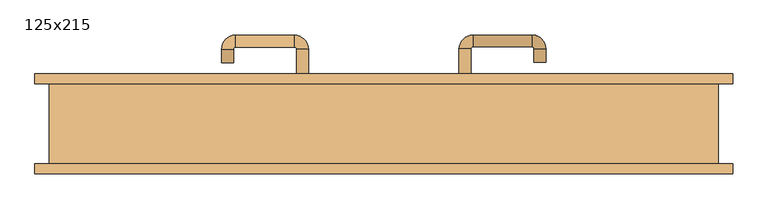
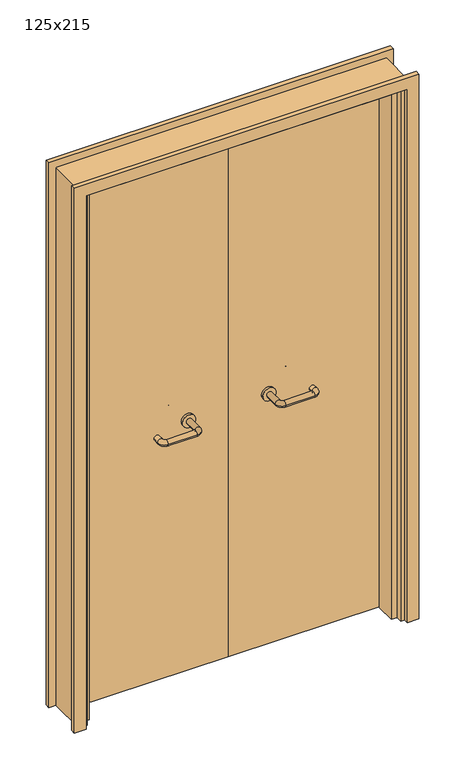
"""IFC4 building model written with IfcOpenShell, lengths in millimetres: door geometry, 125x215."""

from ifc_helpers import new_model, si_unit, point, frame, frame_2d, origin, place, context, project, spatial, polyline, circle_curve, ellipse_curve, trimmed, segment, composite_curve, outline, extrude, faceted_brep, source, transform, mapped, element, save
from ifc_brep_helpers import plane_surface, cylinder_surface, revolved_surface, advanced_brep


def door_125x215_c89c0914(model_context):
    return source(origin(), model_context, "Body", "SolidModel", [
        faceted_brep([(-572.0, 28.0, 0.0), (-572.0, -50.0, 0.0), (-593.0, -50.0, 0.0), (-593.0, 28.0, 0.0), (-572.0, 28.0, 2097.0), (-572.0, -50.0, 2097.0), (-593.0, -50.0, 2118.0), (-593.0, 28.0, 2118.0), (572.0, 28.0, 0.0), (593.0, 28.0, 0.0), (593.0, -50.0, 0.0), (572.0, -50.0, 0.0), (572.0, 28.0, 2097.0), (593.0, 28.0, 2118.0), (593.0, -50.0, 2118.0), (572.0, -50.0, 2097.0)], [[[0, 1, 2, 3]], [[1, 0, 4, 5]], [[2, 1, 5, 6]], [[3, 2, 6, 7]], [[0, 3, 7, 4]], [[8, 9, 10, 11]], [[12, 13, 9, 8]], [[13, 14, 10, 9]], [[14, 15, 11, 10]], [[15, 12, 8, 11]], [[5, 4, 12, 15]], [[6, 5, 15, 14]], [[7, 6, 14, 13]], [[4, 7, 13, 12]]]),
        extrude(outline(polyline([(2177.0, 652.0), (2177.0, -652.0), (0.0, -652.0), (0.0, -608.0), (2133.0, -608.0), (2133.0, 608.0), (0.0, 608.0), (0.0, 652.0), (2177.0, 652.0)])), frame((0.0, 75.0, 0.0), z_axis=(0.0, 1.0, 0.0), x_axis=(0.0, 0.0, 1.0)), (0.0, 0.0, 1.0), 18.0),
        extrude(outline(polyline([(2177.0, -652.0), (0.0, -652.0), (0.0, -608.0), (2133.0, -608.0), (2133.0, 608.0), (0.0, 608.0), (0.0, 652.0), (2177.0, 652.0), (2177.0, -652.0)])), frame((0.0, -93.0, 0.0), z_axis=(0.0, 1.0, 0.0), x_axis=(0.0, 0.0, 1.0)), (0.0, 0.0, 1.0), 18.0),
        extrude(outline(polyline([(2150.0, -625.0), (0.0, -625.0), (0.0, -593.0), (2118.0, -593.0), (2118.0, 593.0), (0.0, 593.0), (0.0, 625.0), (2150.0, 625.0), (2150.0, -625.0)])), frame((0.0, -75.0, 0.0), z_axis=(0.0, 1.0, 0.0), x_axis=(0.0, 0.0, 1.0)), (0.0, 0.0, 1.0), 150.0),
        extrude(outline(polyline([(1.0739506, 31.0), (-590.0, 31.0), (-590.0, 75.0), (1.0739506, 75.0), (1.0739506, 31.0)])), frame((0.0, 0.0, 1.753223), z_axis=(0.0, 0.0, 1.0), x_axis=(1.0, 0.0, 0.0)), (0.0, 0.0, 1.0), 2107.246777),
        extrude(outline(polyline([(590.0, 31.0), (1.0739506, 31.0), (1.0739506, 75.0), (590.0, 75.0), (590.0, 31.0)])), frame((0.0, 0.0, 1.753223), z_axis=(0.0, 0.0, 1.0), x_axis=(1.0, 0.0, 0.0)), (0.0, 0.0, 1.0), 2116.246777),
        extrude(outline(polyline([(2150.0, -625.0), (0.0, -625.0), (0.0, -593.0), (2118.0, -593.0), (2118.0, 593.0), (0.0, 593.0), (0.0, 625.0), (2150.0, 625.0), (2150.0, -625.0)])), frame((0.0, -75.0, 0.0), z_axis=(0.0, 1.0, 0.0), x_axis=(0.0, 0.0, 1.0)), (0.0, 0.0, 1.0), 150.0),
        advanced_brep(
        [(140.99898, 21.0, 1003.0), (162.99898, 21.0, 1003.0), (140.99898, -34.3525369, 1003.0), (162.99898, -34.3525369, 1003.0), (166.99898, -38.3525369, 1003.0), (166.99898, -60.3525369, 1003.0), (276.99898, -60.3525369, 1003.0), (276.99898, -38.3525369, 1003.0), (280.99898, -34.3525369, 1003.0), (302.99898, -34.3525369, 1003.0), (302.99898, -17.0, 1003.0), (280.99898, -17.0, 1003.0)],
        [
            (0, 1, circle_curve(frame((151.99898, 21.0, 1003.0), z_axis=(0.0, 1.0, 0.0), x_axis=(1.0, 0.0, 0.0)), 11.0)),
            (1, 0, circle_curve(frame((151.99898, 21.0, 1003.0), z_axis=(0.0, 1.0, 0.0), x_axis=(1.0, 0.0, 0.0)), 11.0)),
            (0, 2),
            (2, 3, circle_curve(frame((151.99898, -34.3525369, 1003.0), z_axis=(0.0, 1.0, 0.0), x_axis=(1.0, 0.0, 0.0)), 11.0)),
            (3, 1),
            (3, 2, circle_curve(frame((151.99898, -34.3525369, 1003.0), z_axis=(0.0, 1.0, 0.0), x_axis=(1.0, 0.0, 0.0)), 11.0)),
            (4, 3, circle_curve(frame((166.99898, -34.3525369, 1003.0), z_axis=(0.0, 0.0, -1.0), x_axis=(-1.0, 0.0, 0.0)), 4.0)),
            (2, 5, circle_curve(frame((166.99898, -34.3525369, 1003.0), z_axis=(0.0, 0.0, 1.0), x_axis=(-1.0, 0.0, 0.0)), 26.0)),
            (5, 4, circle_curve(frame((166.99898, -49.3525369, 1003.0), z_axis=(-1.0, 0.0, 0.0), x_axis=(0.0, 1.0, 0.0)), 11.0)),
            (4, 5, circle_curve(frame((166.99898, -49.3525369, 1003.0), z_axis=(-1.0, 0.0, 0.0), x_axis=(0.0, 1.0, 0.0)), 11.0)),
            (5, 6),
            (6, 7, circle_curve(frame((276.99898, -49.3525369, 1003.0), z_axis=(-1.0, 0.0, 0.0), x_axis=(0.0, 1.0, 0.0)), 11.0)),
            (7, 4),
            (7, 6, circle_curve(frame((276.99898, -49.3525369, 1003.0), z_axis=(-1.0, 0.0, 0.0), x_axis=(0.0, 1.0, 0.0)), 11.0)),
            (8, 7, circle_curve(frame((276.99898, -34.3525369, 1003.0), z_axis=(0.0, 0.0, -1.0), x_axis=(0.0, -1.0, 0.0)), 4.0)),
            (6, 9, circle_curve(frame((276.99898, -34.3525369, 1003.0), z_axis=(0.0, 0.0, 1.0), x_axis=(0.0, -1.0, 0.0)), 26.0)),
            (9, 8, circle_curve(frame((291.99898, -34.3525369, 1003.0), z_axis=(0.0, -1.0, 0.0), x_axis=(-1.0, 0.0, 0.0)), 11.0)),
            (8, 9, circle_curve(frame((291.99898, -34.3525369, 1003.0), z_axis=(0.0, -1.0, 0.0), x_axis=(-1.0, 0.0, 0.0)), 11.0)),
            (10, 11, circle_curve(frame((291.99898, -17.0, 1003.0), z_axis=(0.0, 1.0, 0.0), x_axis=(-1.0, 0.0, 0.0)), 11.0)),
            (11, 10, circle_curve(frame((291.99898, -17.0, 1003.0), z_axis=(0.0, 1.0, 0.0), x_axis=(-1.0, 0.0, 0.0)), 11.0)),
            (9, 10),
            (11, 8),
        ],
        [
            plane_surface(frame((140.99898, 21.0, 1003.0), z_axis=(0.0, 1.0, 0.0), x_axis=(0.0, 0.0, -1.0))),
            cylinder_surface(frame((151.99898, 21.0, 1003.0), z_axis=(0.0, 1.0, 0.0), x_axis=(1.0, 0.0, 0.0)), 11.0),
            revolved_surface(trimmed(ellipse_curve(frame((151.99898, -34.3525369, 1003.0), z_axis=(0.0, 1.0, 0.0), x_axis=(1.0, 0.0, 0.0)), 11.0, 11.0), [point((140.99898, -34.3525369, 1003.0))], [point((162.99898, -34.3525369, 1003.0))], True, "CARTESIAN"), (166.99898, -34.3525369, 1003.0), (0.0, 0.0, 1.0)),
            revolved_surface(trimmed(ellipse_curve(frame((151.99898, -34.3525369, 1003.0), z_axis=(0.0, 1.0, 0.0), x_axis=(1.0, 0.0, 0.0)), 11.0, 11.0), [point((162.99898, -34.3525369, 1003.0))], [point((140.99898, -34.3525369, 1003.0))], True, "CARTESIAN"), (166.99898, -34.3525369, 1003.0), (0.0, 0.0, 1.0)),
            cylinder_surface(frame((166.99898, -49.3525369, 1003.0), z_axis=(-1.0, 0.0, 0.0), x_axis=(0.0, 1.0, 0.0)), 11.0),
            revolved_surface(trimmed(ellipse_curve(frame((276.99898, -49.3525369, 1003.0), z_axis=(-1.0, 0.0, 0.0), x_axis=(0.0, 1.0, 0.0)), 11.0, 11.0), [point((276.99898, -60.3525369, 1003.0))], [point((276.99898, -38.3525369, 1003.0))], True, "CARTESIAN"), (276.99898, -34.3525369, 1003.0), (0.0, 0.0, 1.0)),
            revolved_surface(trimmed(ellipse_curve(frame((276.99898, -49.3525369, 1003.0), z_axis=(-1.0, 0.0, 0.0), x_axis=(0.0, 1.0, 0.0)), 11.0, 11.0), [point((276.99898, -38.3525369, 1003.0))], [point((276.99898, -60.3525369, 1003.0))], True, "CARTESIAN"), (276.99898, -34.3525369, 1003.0), (0.0, 0.0, 1.0)),
            plane_surface(frame((280.99898, -17.0, 1003.0), z_axis=(0.0, 1.0, 0.0), x_axis=(0.0, 0.0, 1.0))),
            cylinder_surface(frame((291.99898, -34.3525369, 1003.0), z_axis=(0.0, -1.0, 0.0), x_axis=(-1.0, 0.0, 0.0)), 11.0),
        ],
        [
            (0, [[1, 2]]),
            (1, [[-1, 3, 4, 5]]),
            (1, [[-2, -5, 6, -3]]),
            (2, [[7, -4, 8, 9]]),
            (3, [[-8, -6, -7, 10]]),
            (4, [[-9, 11, 12, 13]]),
            (4, [[-10, -13, 14, -11]]),
            (5, [[15, -12, 16, 17]]),
            (6, [[-16, -14, -15, 18]]),
            (7, [[19, 20]]),
            (8, [[-17, 21, -20, 22]]),
            (8, [[-18, -22, -19, -21]]),
        ],
    ),
        extrude(outline(composite_curve([segment(trimmed(circle_curve(frame_2d((1003.0, 151.99898)), 25.0), [point((1003.0, 126.99898))], [point((1003.0, 176.99898))], False, "CARTESIAN"), True, "CONTINUOUS"), segment(trimmed(circle_curve(frame_2d((1003.0, 151.99898)), 25.0), [point((1003.0, 176.99898))], [point((1003.0, 126.99898))], False, "CARTESIAN"), True, "CONTINUOUS")], self_intersect=False)), frame((0.0, 21.0, 0.0), z_axis=(0.0, 1.0, 0.0), x_axis=(0.0, 0.0, 1.0)), (0.0, 0.0, 1.0), 10.0),
        advanced_brep(
        [(162.99898, 85.0, 1003.0), (140.99898, 85.0, 1003.0), (162.99898, 140.0, 1003.0), (140.99898, 140.0, 1003.0), (166.99898, 166.0, 1003.0), (166.99898, 144.0, 1003.0), (276.99898, 144.0, 1003.0), (276.99898, 166.0, 1003.0), (302.99898, 140.0, 1003.0), (280.99898, 140.0, 1003.0), (280.99898, 115.0, 1003.0), (302.99898, 115.0, 1003.0)],
        [
            (0, 1, circle_curve(frame((151.99898, 85.0, 1003.0), z_axis=(0.0, -1.0, 0.0), x_axis=(-1.0, 0.0, 0.0)), 11.0)),
            (1, 0, circle_curve(frame((151.99898, 85.0, 1003.0), z_axis=(0.0, -1.0, 0.0), x_axis=(-1.0, 0.0, 0.0)), 11.0)),
            (0, 2),
            (2, 3, circle_curve(frame((151.99898, 140.0, 1003.0), z_axis=(0.0, -1.0, 0.0), x_axis=(-1.0, 0.0, 0.0)), 11.0)),
            (3, 1),
            (3, 2, circle_curve(frame((151.99898, 140.0, 1003.0), z_axis=(0.0, -1.0, 0.0), x_axis=(-1.0, 0.0, 0.0)), 11.0)),
            (4, 3, circle_curve(frame((166.99898, 140.0, 1003.0), z_axis=(0.0, 0.0, 1.0), x_axis=(-1.0, 0.0, 0.0)), 26.0)),
            (2, 5, circle_curve(frame((166.99898, 140.0, 1003.0), z_axis=(0.0, 0.0, -1.0), x_axis=(-1.0, 0.0, 0.0)), 4.0)),
            (5, 4, circle_curve(frame((166.99898, 155.0, 1003.0), z_axis=(-1.0, 0.0, 0.0), x_axis=(0.0, 1.0, 0.0)), 11.0)),
            (4, 5, circle_curve(frame((166.99898, 155.0, 1003.0), z_axis=(-1.0, 0.0, 0.0), x_axis=(0.0, 1.0, 0.0)), 11.0)),
            (5, 6),
            (6, 7, circle_curve(frame((276.99898, 155.0, 1003.0), z_axis=(-1.0, 0.0, 0.0), x_axis=(0.0, 1.0, 0.0)), 11.0)),
            (7, 4),
            (7, 6, circle_curve(frame((276.99898, 155.0, 1003.0), z_axis=(-1.0, 0.0, 0.0), x_axis=(0.0, 1.0, 0.0)), 11.0)),
            (8, 7, circle_curve(frame((276.99898, 140.0, 1003.0), z_axis=(0.0, 0.0, 1.0), x_axis=(0.0, 1.0, 0.0)), 26.0)),
            (6, 9, circle_curve(frame((276.99898, 140.0, 1003.0), z_axis=(0.0, 0.0, -1.0), x_axis=(0.0, 1.0, 0.0)), 4.0)),
            (9, 8, circle_curve(frame((291.99898, 140.0, 1003.0), z_axis=(0.0, 1.0, 0.0), x_axis=(1.0, 0.0, 0.0)), 11.0)),
            (8, 9, circle_curve(frame((291.99898, 140.0, 1003.0), z_axis=(0.0, 1.0, 0.0), x_axis=(1.0, 0.0, 0.0)), 11.0)),
            (10, 11, circle_curve(frame((291.99898, 115.0, 1003.0), z_axis=(0.0, -1.0, 0.0), x_axis=(1.0, 0.0, 0.0)), 11.0)),
            (11, 10, circle_curve(frame((291.99898, 115.0, 1003.0), z_axis=(0.0, -1.0, 0.0), x_axis=(1.0, 0.0, 0.0)), 11.0)),
            (9, 10),
            (11, 8),
        ],
        [
            plane_surface(frame((140.99898, 85.0, 1003.0), z_axis=(0.0, -1.0, 0.0), x_axis=(0.0, 0.0, 1.0))),
            cylinder_surface(frame((151.99898, 85.0, 1003.0), z_axis=(0.0, -1.0, 0.0), x_axis=(-1.0, 0.0, 0.0)), 11.0),
            revolved_surface(trimmed(ellipse_curve(frame((151.99898, 140.0, 1003.0), z_axis=(0.0, -1.0, 0.0), x_axis=(-1.0, 0.0, 0.0)), 11.0, 11.0), [point((162.99898, 140.0, 1003.0))], [point((140.99898, 140.0, 1003.0))], True, "CARTESIAN"), (166.99898, 140.0, 1003.0), (0.0, 0.0, -1.0)),
            revolved_surface(trimmed(ellipse_curve(frame((151.99898, 140.0, 1003.0), z_axis=(0.0, -1.0, 0.0), x_axis=(-1.0, 0.0, 0.0)), 11.0, 11.0), [point((140.99898, 140.0, 1003.0))], [point((162.99898, 140.0, 1003.0))], True, "CARTESIAN"), (166.99898, 140.0, 1003.0), (0.0, 0.0, -1.0)),
            cylinder_surface(frame((166.99898, 155.0, 1003.0), z_axis=(-1.0, 0.0, 0.0), x_axis=(0.0, 1.0, 0.0)), 11.0),
            revolved_surface(trimmed(ellipse_curve(frame((276.99898, 155.0, 1003.0), z_axis=(-1.0, 0.0, 0.0), x_axis=(0.0, 1.0, 0.0)), 11.0, 11.0), [point((276.99898, 144.0, 1003.0))], [point((276.99898, 166.0, 1003.0))], True, "CARTESIAN"), (276.99898, 140.0, 1003.0), (0.0, 0.0, -1.0)),
            revolved_surface(trimmed(ellipse_curve(frame((276.99898, 155.0, 1003.0), z_axis=(-1.0, 0.0, 0.0), x_axis=(0.0, 1.0, 0.0)), 11.0, 11.0), [point((276.99898, 166.0, 1003.0))], [point((276.99898, 144.0, 1003.0))], True, "CARTESIAN"), (276.99898, 140.0, 1003.0), (0.0, 0.0, -1.0)),
            plane_surface(frame((280.99898, 115.0, 1003.0), z_axis=(0.0, -1.0, 0.0), x_axis=(0.0, 0.0, -1.0))),
            cylinder_surface(frame((291.99898, 140.0, 1003.0), z_axis=(0.0, 1.0, 0.0), x_axis=(1.0, 0.0, 0.0)), 11.0),
        ],
        [
            (0, [[1, 2]]),
            (1, [[-1, 3, 4, 5]]),
            (1, [[-2, -5, 6, -3]]),
            (2, [[7, -4, 8, 9]]),
            (3, [[-8, -6, -7, 10]]),
            (4, [[-9, 11, 12, 13]]),
            (4, [[-10, -13, 14, -11]]),
            (5, [[15, -12, 16, 17]]),
            (6, [[-16, -14, -15, 18]]),
            (7, [[19, 20]]),
            (8, [[-17, 21, -20, 22]]),
            (8, [[-18, -22, -19, -21]]),
        ],
    ),
        extrude(outline(composite_curve([segment(trimmed(circle_curve(frame_2d((1003.0, 151.99898)), 25.0), [point((1003.0, 176.99898))], [point((1003.0, 126.99898))], False, "CARTESIAN"), True, "CONTINUOUS"), segment(trimmed(circle_curve(frame_2d((1003.0, 151.99898)), 25.0), [point((1003.0, 126.99898))], [point((1003.0, 176.99898))], False, "CARTESIAN"), True, "CONTINUOUS")], self_intersect=False)), frame((0.0, 75.0, 0.0), z_axis=(0.0, 1.0, 0.0), x_axis=(0.0, 0.0, 1.0)), (0.0, 0.0, 1.0), 10.0),
        advanced_brep(
        [(-162.99898, 20.6886121, 1003.0), (-140.99898, 20.6886121, 1003.0), (-162.99898, -34.7220447, 1003.0), (-140.99898, -34.7220447, 1003.0), (-166.99898, -60.7220447, 1003.0), (-166.99898, -38.7220447, 1003.0), (-276.99898, -38.7220447, 1003.0), (-276.99898, -60.7220447, 1003.0), (-302.99898, -34.7220447, 1003.0), (-280.99898, -34.7220447, 1003.0), (-280.99898, -9.7220447, 1003.0), (-302.99898, -9.7220447, 1003.0)],
        [
            (0, 1, circle_curve(frame((-151.99898, 20.6886121, 1003.0), z_axis=(0.0, 1.0, 0.0), x_axis=(1.0, 0.0, 0.0)), 11.0)),
            (1, 0, circle_curve(frame((-151.99898, 20.6886121, 1003.0), z_axis=(0.0, 1.0, 0.0), x_axis=(1.0, 0.0, 0.0)), 11.0)),
            (0, 2),
            (2, 3, circle_curve(frame((-151.99898, -34.7220447, 1003.0), z_axis=(0.0, 1.0, 0.0), x_axis=(1.0, 0.0, 0.0)), 11.0)),
            (3, 1),
            (3, 2, circle_curve(frame((-151.99898, -34.7220447, 1003.0), z_axis=(0.0, 1.0, 0.0), x_axis=(1.0, 0.0, 0.0)), 11.0)),
            (4, 3, circle_curve(frame((-166.99898, -34.7220447, 1003.0), z_axis=(0.0, 0.0, 1.0), x_axis=(1.0, 0.0, 0.0)), 26.0)),
            (2, 5, circle_curve(frame((-166.99898, -34.7220447, 1003.0), z_axis=(0.0, 0.0, -1.0), x_axis=(1.0, 0.0, 0.0)), 4.0)),
            (5, 4, circle_curve(frame((-166.99898, -49.7220447, 1003.0), z_axis=(1.0, 0.0, 0.0), x_axis=(0.0, -1.0, 0.0)), 11.0)),
            (4, 5, circle_curve(frame((-166.99898, -49.7220447, 1003.0), z_axis=(1.0, 0.0, 0.0), x_axis=(0.0, -1.0, 0.0)), 11.0)),
            (5, 6),
            (6, 7, circle_curve(frame((-276.99898, -49.7220447, 1003.0), z_axis=(1.0, 0.0, 0.0), x_axis=(0.0, -1.0, 0.0)), 11.0)),
            (7, 4),
            (7, 6, circle_curve(frame((-276.99898, -49.7220447, 1003.0), z_axis=(1.0, 0.0, 0.0), x_axis=(0.0, -1.0, 0.0)), 11.0)),
            (8, 7, circle_curve(frame((-276.99898, -34.7220447, 1003.0), z_axis=(0.0, 0.0, 1.0), x_axis=(0.0, -1.0, 0.0)), 26.0)),
            (6, 9, circle_curve(frame((-276.99898, -34.7220447, 1003.0), z_axis=(0.0, 0.0, -1.0), x_axis=(0.0, -1.0, 0.0)), 4.0)),
            (9, 8, circle_curve(frame((-291.99898, -34.7220447, 1003.0), z_axis=(0.0, -1.0, 0.0), x_axis=(-1.0, 0.0, 0.0)), 11.0)),
            (8, 9, circle_curve(frame((-291.99898, -34.7220447, 1003.0), z_axis=(0.0, -1.0, 0.0), x_axis=(-1.0, 0.0, 0.0)), 11.0)),
            (10, 11, circle_curve(frame((-291.99898, -9.7220447, 1003.0), z_axis=(0.0, 1.0, 0.0), x_axis=(-1.0, 0.0, 0.0)), 11.0)),
            (11, 10, circle_curve(frame((-291.99898, -9.7220447, 1003.0), z_axis=(0.0, 1.0, 0.0), x_axis=(-1.0, 0.0, 0.0)), 11.0)),
            (9, 10),
            (11, 8),
        ],
        [
            plane_surface(frame((-162.99898, 20.6886121, 1003.0), z_axis=(0.0, 1.0, 0.0), x_axis=(0.0, 0.0, -1.0))),
            cylinder_surface(frame((-151.99898, 20.6886121, 1003.0), z_axis=(0.0, 1.0, 0.0), x_axis=(1.0, 0.0, 0.0)), 11.0),
            revolved_surface(trimmed(ellipse_curve(frame((-151.99898, -34.7220447, 1003.0), z_axis=(0.0, 1.0, 0.0), x_axis=(1.0, 0.0, 0.0)), 11.0, 11.0), [point((-162.99898, -34.7220447, 1003.0))], [point((-140.99898, -34.7220447, 1003.0))], True, "CARTESIAN"), (-166.99898, -34.7220447, 1003.0), (0.0, 0.0, -1.0)),
            revolved_surface(trimmed(ellipse_curve(frame((-151.99898, -34.7220447, 1003.0), z_axis=(0.0, 1.0, 0.0), x_axis=(1.0, 0.0, 0.0)), 11.0, 11.0), [point((-140.99898, -34.7220447, 1003.0))], [point((-162.99898, -34.7220447, 1003.0))], True, "CARTESIAN"), (-166.99898, -34.7220447, 1003.0), (0.0, 0.0, -1.0)),
            cylinder_surface(frame((-166.99898, -49.7220447, 1003.0), z_axis=(1.0, 0.0, 0.0), x_axis=(0.0, -1.0, 0.0)), 11.0),
            revolved_surface(trimmed(ellipse_curve(frame((-276.99898, -49.7220447, 1003.0), z_axis=(1.0, 0.0, 0.0), x_axis=(0.0, -1.0, 0.0)), 11.0, 11.0), [point((-276.99898, -38.7220447, 1003.0))], [point((-276.99898, -60.7220447, 1003.0))], True, "CARTESIAN"), (-276.99898, -34.7220447, 1003.0), (0.0, 0.0, -1.0)),
            revolved_surface(trimmed(ellipse_curve(frame((-276.99898, -49.7220447, 1003.0), z_axis=(1.0, 0.0, 0.0), x_axis=(0.0, -1.0, 0.0)), 11.0, 11.0), [point((-276.99898, -60.7220447, 1003.0))], [point((-276.99898, -38.7220447, 1003.0))], True, "CARTESIAN"), (-276.99898, -34.7220447, 1003.0), (0.0, 0.0, -1.0)),
            plane_surface(frame((-302.99898, -9.7220447, 1003.0), z_axis=(0.0, 1.0, 0.0), x_axis=(0.0, 0.0, 1.0))),
            cylinder_surface(frame((-291.99898, -34.7220447, 1003.0), z_axis=(0.0, -1.0, 0.0), x_axis=(-1.0, 0.0, 0.0)), 11.0),
        ],
        [
            (0, [[1, 2]]),
            (1, [[-1, 3, 4, 5]]),
            (1, [[-2, -5, 6, -3]]),
            (2, [[7, -4, 8, 9]]),
            (3, [[-8, -6, -7, 10]]),
            (4, [[-9, 11, 12, 13]]),
            (4, [[-10, -13, 14, -11]]),
            (5, [[15, -12, 16, 17]]),
            (6, [[-16, -14, -15, 18]]),
            (7, [[19, 20]]),
            (8, [[-17, 21, -20, 22]]),
            (8, [[-18, -22, -19, -21]]),
        ],
    ),
        extrude(outline(composite_curve([segment(trimmed(circle_curve(frame_2d((1003.0, -151.99898)), 25.0), [point((1003.0, -176.99898))], [point((1003.0, -126.99898))], False, "CARTESIAN"), True, "CONTINUOUS"), segment(trimmed(circle_curve(frame_2d((1003.0, -151.99898)), 25.0), [point((1003.0, -126.99898))], [point((1003.0, -176.99898))], False, "CARTESIAN"), True, "CONTINUOUS")], self_intersect=False)), frame((0.0, 20.6886121, 0.0), z_axis=(0.0, 1.0, 0.0), x_axis=(0.0, 0.0, 1.0)), (0.0, 0.0, 1.0), 10.3113879),
        advanced_brep(
        [(-140.99898, 84.5143417, 1003.0), (-162.99898, 84.5143417, 1003.0), (-140.99898, 139.6104656, 1003.0), (-162.99898, 139.6104656, 1003.0), (-166.99898, 143.6104656, 1003.0), (-166.99898, 165.6104656, 1003.0), (-276.99898, 165.6104656, 1003.0), (-276.99898, 143.6104656, 1003.0), (-280.99898, 139.6104656, 1003.0), (-302.99898, 139.6104656, 1003.0), (-302.99898, 114.6104656, 1003.0), (-280.99898, 114.6104656, 1003.0)],
        [
            (0, 1, circle_curve(frame((-151.99898, 84.5143417, 1003.0), z_axis=(0.0, -1.0, 0.0), x_axis=(-1.0, 0.0, 0.0)), 11.0)),
            (1, 0, circle_curve(frame((-151.99898, 84.5143417, 1003.0), z_axis=(0.0, -1.0, 0.0), x_axis=(-1.0, 0.0, 0.0)), 11.0)),
            (0, 2),
            (2, 3, circle_curve(frame((-151.99898, 139.6104656, 1003.0), z_axis=(0.0, -1.0, 0.0), x_axis=(-1.0, 0.0, 0.0)), 11.0)),
            (3, 1),
            (3, 2, circle_curve(frame((-151.99898, 139.6104656, 1003.0), z_axis=(0.0, -1.0, 0.0), x_axis=(-1.0, 0.0, 0.0)), 11.0)),
            (4, 3, circle_curve(frame((-166.99898, 139.6104656, 1003.0), z_axis=(0.0, 0.0, -1.0), x_axis=(1.0, 0.0, 0.0)), 4.0)),
            (2, 5, circle_curve(frame((-166.99898, 139.6104656, 1003.0), z_axis=(0.0, 0.0, 1.0), x_axis=(1.0, 0.0, 0.0)), 26.0)),
            (5, 4, circle_curve(frame((-166.99898, 154.6104656, 1003.0), z_axis=(1.0, 0.0, 0.0), x_axis=(0.0, -1.0, 0.0)), 11.0)),
            (4, 5, circle_curve(frame((-166.99898, 154.6104656, 1003.0), z_axis=(1.0, 0.0, 0.0), x_axis=(0.0, -1.0, 0.0)), 11.0)),
            (5, 6),
            (6, 7, circle_curve(frame((-276.99898, 154.6104656, 1003.0), z_axis=(1.0, 0.0, 0.0), x_axis=(0.0, -1.0, 0.0)), 11.0)),
            (7, 4),
            (7, 6, circle_curve(frame((-276.99898, 154.6104656, 1003.0), z_axis=(1.0, 0.0, 0.0), x_axis=(0.0, -1.0, 0.0)), 11.0)),
            (8, 7, circle_curve(frame((-276.99898, 139.6104656, 1003.0), z_axis=(0.0, 0.0, -1.0), x_axis=(0.0, 1.0, 0.0)), 4.0)),
            (6, 9, circle_curve(frame((-276.99898, 139.6104656, 1003.0), z_axis=(0.0, 0.0, 1.0), x_axis=(0.0, 1.0, 0.0)), 26.0)),
            (9, 8, circle_curve(frame((-291.99898, 139.6104656, 1003.0), z_axis=(0.0, 1.0, 0.0), x_axis=(1.0, 0.0, 0.0)), 11.0)),
            (8, 9, circle_curve(frame((-291.99898, 139.6104656, 1003.0), z_axis=(0.0, 1.0, 0.0), x_axis=(1.0, 0.0, 0.0)), 11.0)),
            (10, 11, circle_curve(frame((-291.99898, 114.6104656, 1003.0), z_axis=(0.0, -1.0, 0.0), x_axis=(1.0, 0.0, 0.0)), 11.0)),
            (11, 10, circle_curve(frame((-291.99898, 114.6104656, 1003.0), z_axis=(0.0, -1.0, 0.0), x_axis=(1.0, 0.0, 0.0)), 11.0)),
            (9, 10),
            (11, 8),
        ],
        [
            plane_surface(frame((-162.99898, 84.5143417, 1003.0), z_axis=(0.0, -1.0, 0.0), x_axis=(0.0, 0.0, 1.0))),
            cylinder_surface(frame((-151.99898, 84.5143417, 1003.0), z_axis=(0.0, -1.0, 0.0), x_axis=(-1.0, 0.0, 0.0)), 11.0),
            revolved_surface(trimmed(ellipse_curve(frame((-151.99898, 139.6104656, 1003.0), z_axis=(0.0, -1.0, 0.0), x_axis=(-1.0, 0.0, 0.0)), 11.0, 11.0), [point((-140.99898, 139.6104656, 1003.0))], [point((-162.99898, 139.6104656, 1003.0))], True, "CARTESIAN"), (-166.99898, 139.6104656, 1003.0), (0.0, 0.0, 1.0)),
            revolved_surface(trimmed(ellipse_curve(frame((-151.99898, 139.6104656, 1003.0), z_axis=(0.0, -1.0, 0.0), x_axis=(-1.0, 0.0, 0.0)), 11.0, 11.0), [point((-162.99898, 139.6104656, 1003.0))], [point((-140.99898, 139.6104656, 1003.0))], True, "CARTESIAN"), (-166.99898, 139.6104656, 1003.0), (0.0, 0.0, 1.0)),
            cylinder_surface(frame((-166.99898, 154.6104656, 1003.0), z_axis=(1.0, 0.0, 0.0), x_axis=(0.0, -1.0, 0.0)), 11.0),
            revolved_surface(trimmed(ellipse_curve(frame((-276.99898, 154.6104656, 1003.0), z_axis=(1.0, 0.0, 0.0), x_axis=(0.0, -1.0, 0.0)), 11.0, 11.0), [point((-276.99898, 165.6104656, 1003.0))], [point((-276.99898, 143.6104656, 1003.0))], True, "CARTESIAN"), (-276.99898, 139.6104656, 1003.0), (0.0, 0.0, 1.0)),
            revolved_surface(trimmed(ellipse_curve(frame((-276.99898, 154.6104656, 1003.0), z_axis=(1.0, 0.0, 0.0), x_axis=(0.0, -1.0, 0.0)), 11.0, 11.0), [point((-276.99898, 143.6104656, 1003.0))], [point((-276.99898, 165.6104656, 1003.0))], True, "CARTESIAN"), (-276.99898, 139.6104656, 1003.0), (0.0, 0.0, 1.0)),
            plane_surface(frame((-302.99898, 114.6104656, 1003.0), z_axis=(0.0, -1.0, 0.0), x_axis=(0.0, 0.0, -1.0))),
            cylinder_surface(frame((-291.99898, 139.6104656, 1003.0), z_axis=(0.0, 1.0, 0.0), x_axis=(1.0, 0.0, 0.0)), 11.0),
        ],
        [
            (0, [[1, 2]]),
            (1, [[-1, 3, 4, 5]]),
            (1, [[-2, -5, 6, -3]]),
            (2, [[7, -4, 8, 9]]),
            (3, [[-8, -6, -7, 10]]),
            (4, [[-9, 11, 12, 13]]),
            (4, [[-10, -13, 14, -11]]),
            (5, [[15, -12, 16, 17]]),
            (6, [[-16, -14, -15, 18]]),
            (7, [[19, 20]]),
            (8, [[-17, 21, -20, 22]]),
            (8, [[-18, -22, -19, -21]]),
        ],
    ),
        extrude(outline(composite_curve([segment(trimmed(circle_curve(frame_2d((1003.0, -151.99898)), 25.0), [point((1003.0, -126.99898))], [point((1003.0, -176.99898))], False, "CARTESIAN"), True, "CONTINUOUS"), segment(trimmed(circle_curve(frame_2d((1003.0, -151.99898)), 25.0), [point((1003.0, -176.99898))], [point((1003.0, -126.99898))], False, "CARTESIAN"), True, "CONTINUOUS")], self_intersect=False)), frame((0.0, 75.0, 0.0), z_axis=(0.0, 1.0, 0.0), x_axis=(0.0, 0.0, 1.0)), (0.0, 0.0, 1.0), 9.5143417),
    ])


if __name__ == "__main__":
    model = new_model("IFC4")
    model_context = context("Model", 3, world=origin())
    ifc_project = project(units=[si_unit("LENGTHUNIT", "METRE", prefix="MILLI")], contexts=[model_context])
    site = spatial("IfcSite", under=ifc_project)
    building = spatial("IfcBuilding", under=site)
    placement = place(None, origin())
    door_125x215_shape = door_125x215_c89c0914(model_context)
    element("IfcDoor", 1, ObjectType="125x215", at=placement, inside=building, context=model_context, shape_type="MappedRepresentation", body=[
        mapped(door_125x215_shape, transform((0.0, 0.0, 0.0), x_axis=(1.0, 0.0, 0.0), y_axis=(0.0, 1.0, 0.0), z_axis=(0.0, 0.0, 1.0))),
    ])
    save(model, "model.ifc")
